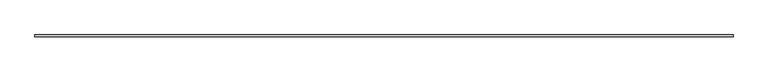
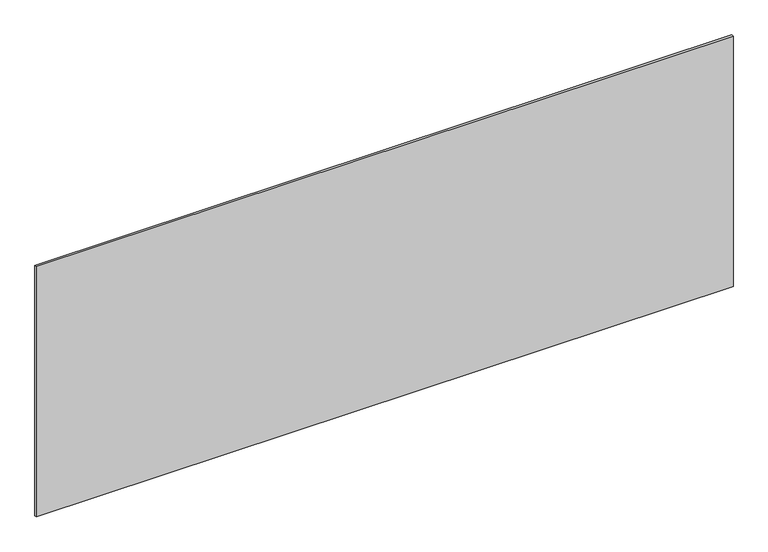
"""IFC4 building model written with IfcOpenShell, lengths in millimetres: plate geometry."""

from ifc_helpers import new_model, si_unit, origin, origin_with_axes, place, context, project, spatial, polyline, outline, extrude, source, transform, mapped, element, save


def plate_fc54dddd(model_context):
    return source(origin(), model_context, "Body", "SweptSolid", [
        extrude(outline(polyline([(1715.0, -5.0), (-1715.0, -5.0), (-1715.0, 5.0), (1715.0, 5.0), (1715.0, -5.0)])), origin_with_axes(), (0.0, 0.0, 1.0), 1303.1391277),
    ])


if __name__ == "__main__":
    model = new_model("IFC4")
    model_context = context("Model", 3, world=origin())
    ifc_project = project(units=[si_unit("LENGTHUNIT", "METRE", prefix="MILLI")], contexts=[model_context])
    site = spatial("IfcSite", under=ifc_project)
    building = spatial("IfcBuilding", under=site)
    placement = place(None, origin())
    plate_shape = plate_fc54dddd(model_context)
    element("IfcPlate", 1, at=placement, inside=building, context=model_context, shape_type="MappedRepresentation", body=[
        mapped(plate_shape, transform((0.0, 0.0, 0.0), x_axis=(1.0, 0.0, 0.0), y_axis=(0.0, 1.0, 0.0), z_axis=(0.0, 0.0, 1.0))),
    ])
    save(model, "model.ifc")
